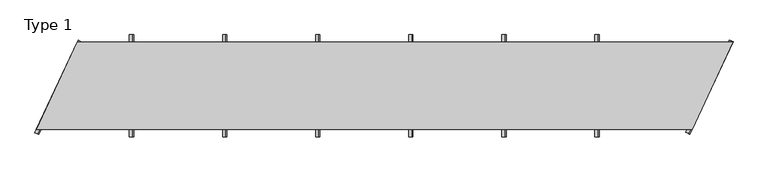
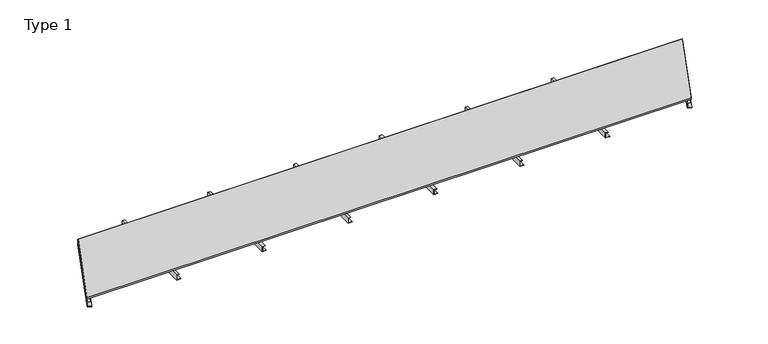
"""IFC4 building model written with IfcOpenShell, lengths in millimetres: proxy geometry, Type 1."""

from ifc_helpers import new_model, si_unit, frame, origin, place, context, project, spatial, polyline, outline, extrude, source, transform, mapped, element, save


def type_1_5a329fe5(model_context):
    return source(origin(), model_context, "Body", "SweptSolid", [
        extrude(outline(polyline([(0.0, 3215.1000188), (2.0, 3215.1000188), (2.0, 3187.1000188), (38.0, 3187.1000188), (38.0, 3205.1000188), (40.0, 3205.1000188), (40.0, 3185.1000188), (0.0, 3185.1000188), (0.0, 3215.1000188)])), frame((0.0, -650.0, 0.0), z_axis=(0.0, 1.0, 0.0), x_axis=(0.0, 0.0, 1.0)), (0.0, 0.0, 1.0), 700.0),
        extrude(outline(polyline([(0.0, 2578.080015), (2.0, 2578.080015), (2.0, 2550.080015), (38.0, 2550.080015), (38.0, 2568.080015), (40.0, 2568.080015), (40.0, 2548.080015), (0.0, 2548.080015), (0.0, 2578.080015)])), frame((0.0, -650.0, 0.0), z_axis=(0.0, 1.0, 0.0), x_axis=(0.0, 0.0, 1.0)), (0.0, 0.0, 1.0), 700.0),
        extrude(outline(polyline([(0.0, 1941.0600113), (2.0, 1941.0600113), (2.0, 1913.0600113), (38.0, 1913.0600113), (38.0, 1931.0600113), (40.0, 1931.0600113), (40.0, 1911.0600113), (0.0, 1911.0600113), (0.0, 1941.0600113)])), frame((0.0, -650.0, 0.0), z_axis=(0.0, 1.0, 0.0), x_axis=(0.0, 0.0, 1.0)), (0.0, 0.0, 1.0), 700.0),
        extrude(outline(polyline([(0.0, 1304.0400075), (2.0, 1304.0400075), (2.0, 1276.0400075), (38.0, 1276.0400075), (38.0, 1294.0400075), (40.0, 1294.0400075), (40.0, 1274.0400075), (0.0, 1274.0400075), (0.0, 1304.0400075)])), frame((0.0, -650.0, 0.0), z_axis=(0.0, 1.0, 0.0), x_axis=(0.0, 0.0, 1.0)), (0.0, 0.0, 1.0), 700.0),
        extrude(outline(polyline([(30.0, 0.0), (30.0, -2.0), (2.0, -2.0), (2.0, -38.0), (19.9999999, -38.0), (19.9999999, -40.0), (0.0, -40.0), (0.0, 0.0), (30.0, 0.0)])), frame((4446.7295739, -619.9634612, 0.0), z_axis=(0.4226182617406978, 0.9063077870366507, 0.0), x_axis=(0.9063077870366507, -0.4226182617406978, 0.0)), (0.0, 0.0, 1.0), 700.0),
        extrude(outline(polyline([(30.0, 0.0), (30.0, -2.0), (2.0, -2.0), (2.0, -38.0), (19.9999999, -38.0), (19.9999999, -40.0), (0.0, -40.0), (0.0, 0.0), (30.0, 0.0)])), frame((-10.3650532, -622.2279284, 0.0), z_axis=(0.4226182617407065, 0.9063077870366466, 0.0), x_axis=(0.9063077870366466, -0.4226182617407065, 0.0)), (0.0, 0.0, 1.0), 700.0),
        extrude(outline(polyline([(0.0, 3852.1200225), (2.0, 3852.1200225), (2.0, 3824.1200225), (38.0, 3824.1200225), (38.0, 3842.1200225), (40.0, 3842.1200225), (40.0, 3822.1200225), (0.0, 3822.1200225), (0.0, 3852.1200225)])), frame((0.0, -650.0, 0.0), z_axis=(0.0, 1.0, 0.0), x_axis=(0.0, 0.0, 1.0)), (0.0, 0.0, 1.0), 700.0),
        extrude(outline(polyline([(0.0, 667.0200038), (2.0, 667.0200038), (2.0, 639.0200038), (38.0, 639.0200038), (38.0, 657.0200038), (40.0, 657.0200038), (40.0, 637.0200038), (0.0, 637.0200038), (0.0, 667.0200038)])), frame((0.0, -650.0, 0.0), z_axis=(0.0, 1.0, 0.0), x_axis=(0.0, 0.0, 1.0)), (0.0, 0.0, 1.0), 700.0),
        extrude(outline(polyline([(4767.3549356, -1.0), (4488.502956, -599.0), (1.5696856, -599.0), (280.4216652, -1.0), (4767.3549356, -1.0)])), frame((0.0, 0.0, 40.0), z_axis=(0.0, 0.0, 1.0), x_axis=(1.0, 0.0, 0.0)), (0.0, 0.0, 1.0), 13.0),
        extrude(outline(polyline([(4768.9246212, 0.0), (4489.1400263, -600.0), (0.0, -600.0), (279.7845949, 0.0), (4768.9246212, 0.0)]), holes=[polyline([(4767.3549356, -1.0), (280.4216652, -1.0), (1.5696856, -599.0), (4488.502956, -599.0), (4767.3549356, -1.0)])]), frame((0.0, 0.0, 40.0), z_axis=(0.0, 0.0, 1.0), x_axis=(1.0, 0.0, 0.0)), (0.0, 0.0, 1.0), 13.0),
    ])


if __name__ == "__main__":
    model = new_model("IFC4")
    model_context = context("Model", 3, world=origin())
    ifc_project = project(units=[si_unit("LENGTHUNIT", "METRE", prefix="MILLI")], contexts=[model_context])
    site = spatial("IfcSite", under=ifc_project)
    building = spatial("IfcBuilding", under=site)
    placement = place(None, origin())
    type_1_shape = type_1_5a329fe5(model_context)
    element("IfcBuildingElementProxy", 1, Name="Type 1", ObjectType="Type 1", at=placement, inside=building, context=model_context, shape_type="MappedRepresentation", body=[
        mapped(type_1_shape, transform((0.0, 0.0, 0.0), x_axis=(1.0, 0.0, 0.0), y_axis=(0.0, 1.0, 0.0), z_axis=(0.0, 0.0, 1.0))),
    ])
    save(model, "model.ifc")
